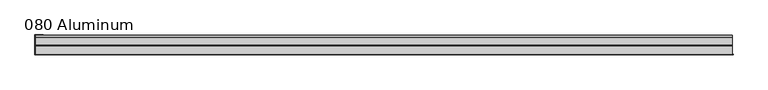
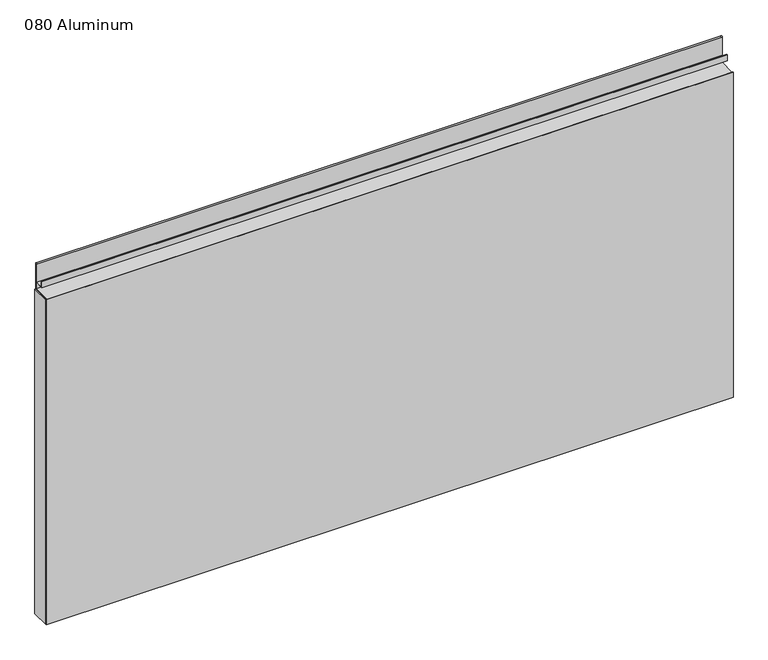
"""IFC4 building model written with IfcOpenShell, lengths in millimetres: plate geometry, 080 Aluminum."""

from ifc_helpers import new_model, si_unit, point, frame, frame_2d, origin, origin_with_axes, place, context, project, spatial, polyline, circle_curve, trimmed, segment, composite_curve, outline, extrude, source, transform, mapped, element, save


def plate_080_aluminum_06e1c2cd(model_context):
    return source(origin(), model_context, "Body", "SweptSolid", [
        extrude(outline(polyline([(-607.7282742, -2.5660257), (-607.7282742, -34.7980001), (-608.9982741, -34.7980001), (-608.9982741, -1.2699999), (-594.8377736, -1.2699999), (-594.8377736, -2.5660257), (-607.7282742, -2.5660257)])), origin_with_axes(), (0.0, 0.0, 1.0), 608.33),
        extrude(outline(composite_curve([segment(polyline([(-16.6765477, 13.1458337), (-16.6765477, 2.786437), (-17.9464915, 2.786437), (-17.9464915, 13.1323356)]), True, "CONTINUOUS"), segment(trimmed(circle_curve(frame_2d((-19.8514743, 13.124237)), 1.905), [point((-17.9464915, 13.1323356))], [point((-21.7564743, 13.124237))], True, "CARTESIAN"), True, "CONTINUOUS"), segment(polyline([(-21.7564743, 13.124237), (-21.7564743, 0.0), (-34.7980002, 0.0), (-34.7980002, 1.2693678), (-23.0264743, 1.2693678), (-23.0264743, 13.124237)]), True, "CONTINUOUS"), segment(trimmed(circle_curve(frame_2d((-19.8514743, 13.124237)), 3.175), [point((-23.0264743, 13.124237))], [point((-16.6765477, 13.1458337))], False, "CARTESIAN"), True, "CONTINUOUS")], self_intersect=False)), frame((-607.7282742, 0.0, 0.0), z_axis=(1.0, 0.0, 0.0), x_axis=(0.0, 1.0, 0.0)), (0.0, 0.0, 1.0), 1215.4565483),
        extrude(outline(composite_curve([segment(polyline([(-2.0574743, 656.7932001), (-2.0574743, 608.33), (-34.7980002, 608.33), (-34.7980002, 609.6000001), (-3.3274743, 609.6000001), (-3.3274743, 656.7932001)]), True, "CONTINUOUS"), segment(trimmed(circle_curve(frame_2d((-3.7084742, 656.7932001)), 0.3809999), [point((-3.3274743, 656.7932001))], [point((-4.0894742, 656.7932001))], True, "CARTESIAN"), True, "CONTINUOUS"), segment(polyline([(-4.0894742, 656.7932001), (-4.0894742, 622.3), (-20.4864742, 622.3), (-20.4864742, 633.6538), (-19.2164743, 633.6538), (-19.2164743, 623.57), (-5.3594742, 623.57), (-5.3594742, 656.7932001)]), True, "CONTINUOUS"), segment(trimmed(circle_curve(frame_2d((-3.7084742, 656.7932001)), 1.6509999), [point((-5.3594742, 656.7932001))], [point((-2.0574743, 656.7932001))], False, "CARTESIAN"), True, "CONTINUOUS")], self_intersect=False)), frame((-607.7282742, 0.0, 0.0), z_axis=(1.0, 0.0, 0.0), x_axis=(0.0, 1.0, 0.0)), (0.0, 0.0, 1.0), 1215.4565483),
        extrude(outline(polyline([(-608.9982742, -36.068), (-608.9982742, -34.7980001), (608.9982742, -34.7980001), (608.9982742, -36.068), (-608.9982742, -36.068)])), origin_with_axes(), (0.0, 0.0, 1.0), 609.6),
    ])


if __name__ == "__main__":
    model = new_model("IFC4")
    model_context = context("Model", 3, world=origin())
    ifc_project = project(units=[si_unit("LENGTHUNIT", "METRE", prefix="MILLI")], contexts=[model_context])
    site = spatial("IfcSite", under=ifc_project)
    building = spatial("IfcBuilding", under=site)
    placement = place(None, origin())
    plate_080_aluminum_shape = plate_080_aluminum_06e1c2cd(model_context)
    element("IfcPlate", 1, ObjectType="080 Aluminum", at=placement, inside=building, context=model_context, shape_type="MappedRepresentation", body=[
        mapped(plate_080_aluminum_shape, transform((0.0, 0.0, 0.0), x_axis=(1.0, 0.0, 0.0), y_axis=(0.0, 1.0, 0.0), z_axis=(0.0, 0.0, 1.0))),
    ])
    save(model, "model.ifc")
